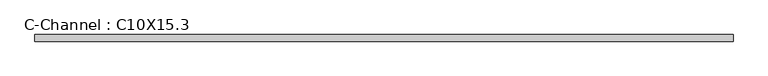
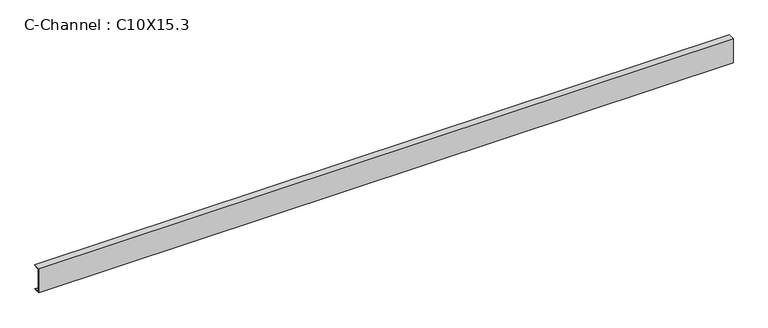
"""IFC4 building model written with IfcOpenShell, lengths in millimetres: beam geometry, C-Channel : C10X15.3."""

from ifc_helpers import new_model, si_unit, point, frame, frame_2d, origin, place, context, project, spatial, polyline, circle_curve, trimmed, segment, composite_curve, outline, extrude, source, transform, mapped, element, save


def c_channel_c10x15_3_416d16aa(model_context):
    return source(origin(), model_context, "Body", "SweptSolid", [
        extrude(outline(composite_curve([segment(polyline([(-14.0716, 127.0), (52.0080875, 127.0)]), True, "CONTINUOUS"), segment(trimmed(circle_curve(frame_2d((45.9557438, 127.0)), 6.0523438), [point((52.0080875, 127.0))], [point((45.9557438, 120.9476562))], False, "CARTESIAN"), True, "CONTINUOUS"), segment(polyline([(45.9557438, 120.9476562), (-8.0192562, 112.3988561), (-8.0192562, -112.3988561), (45.9557438, -120.9476563)]), True, "CONTINUOUS"), segment(trimmed(circle_curve(frame_2d((45.9557438, -127.0)), 6.0523437), [point((45.9557438, -120.9476563))], [point((52.0080875, -127.0))], False, "CARTESIAN"), True, "CONTINUOUS"), segment(polyline([(52.0080875, -127.0), (-14.0716, -127.0), (-14.0716, 127.0)]), True, "CONTINUOUS")], self_intersect=False)), frame((-3461.9939646, 0.0, 0.0), z_axis=(1.0, 0.0, 0.0), x_axis=(0.0, 1.0, 0.0)), (0.0, 0.0, 1.0), 6923.9879292),
    ])


if __name__ == "__main__":
    model = new_model("IFC4")
    model_context = context("Model", 3, world=origin())
    ifc_project = project(units=[si_unit("LENGTHUNIT", "METRE", prefix="MILLI")], contexts=[model_context])
    site = spatial("IfcSite", under=ifc_project)
    building = spatial("IfcBuilding", under=site)
    placement = place(None, origin())
    c_channel_c10x15_3_shape = c_channel_c10x15_3_416d16aa(model_context)
    element("IfcBeam", 1, ObjectType="C-Channel : C10X15.3", at=placement, inside=building, context=model_context, shape_type="MappedRepresentation", body=[
        mapped(c_channel_c10x15_3_shape, transform((0.0, 0.0, 0.0), x_axis=(1.0, 0.0, 0.0), y_axis=(0.0, 1.0, 0.0), z_axis=(0.0, 0.0, 1.0))),
    ])
    save(model, "model.ifc")
